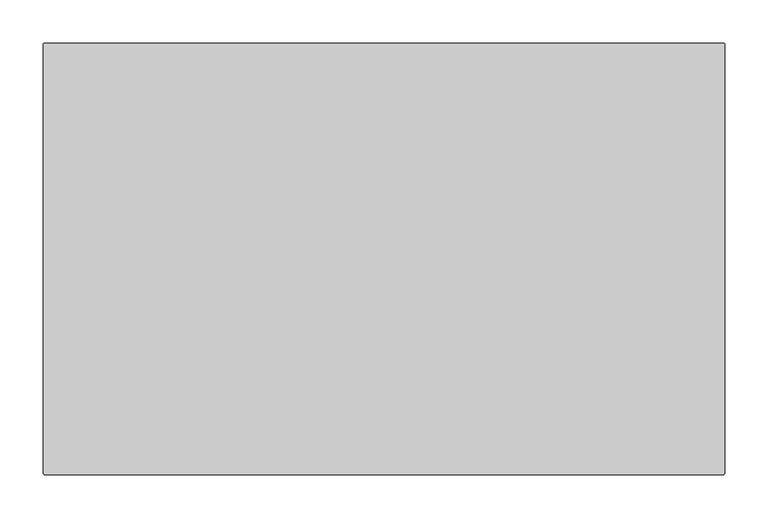
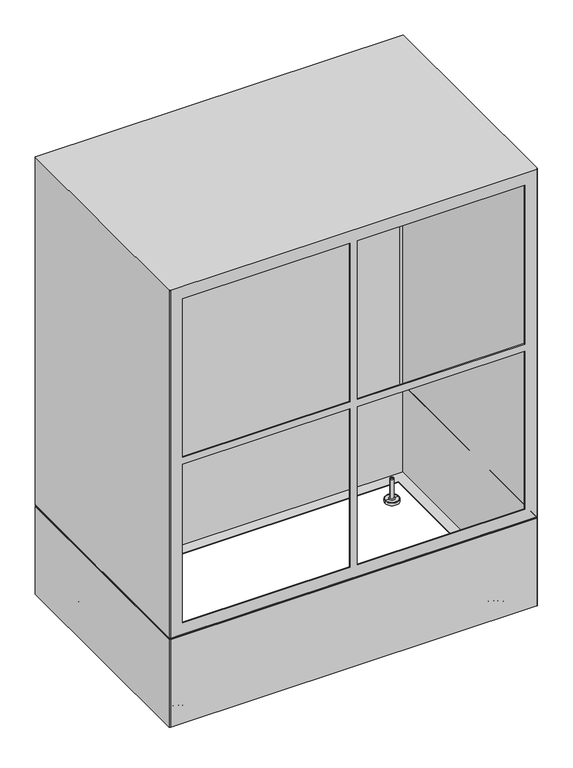
"""IFC4 building model written with IfcOpenShell, lengths in millimetres: proxy geometry."""

from ifc_helpers import new_model, si_unit, point, frame, origin, place, context, project, spatial, polyline, circle_curve, ellipse_curve, trimmed, source, transform, mapped, element, save
from ifc_brep_helpers import plane_surface, cylinder_surface, revolved_surface, advanced_brep


def parking_30493d7f(model_context):
    return source(origin(), model_context, "Body", "AdvancedBrep", [
        advanced_brep(
        [(368.9161053, 218.0, 976.5), (-369.0838947, 218.0, 976.5), (-369.0838947, 218.0, 238.5), (368.9161053, 218.0, 238.5), (368.9161053, 248.0, 976.5), (-369.0838947, 248.0, 976.5), (-369.0838947, 248.0, 238.5), (368.9161053, 248.0, 238.5), (362.9161053, 231.0, 970.5), (362.9161053, 231.0, 244.2), (-363.0838947, 231.0, 244.2), (-363.0838947, 231.0, 970.5), (-363.0838947, 250.0, 970.5), (362.9161053, 250.0, 970.5), (-363.0838947, 250.0, 244.2), (362.9161053, 250.0, 244.2), (-395.0838947, 248.0, 1002.5), (-395.0838947, -248.0, 1002.5), (-393.0838947, -250.0, 1002.5), (392.9161053, -250.0, 1002.5), (394.9161053, -248.0, 1002.5), (394.9161053, 248.0, 1002.5), (392.9161053, 250.0, 1002.5), (-393.0838947, 250.0, 1002.5), (-395.0838947, 248.0, 12.5), (-393.0838947, 250.0, 12.5), (392.9161053, 250.0, 12.5), (394.9161053, 248.0, 12.5), (394.9161053, -248.0, 12.5), (392.9161053, -250.0, 12.5), (-393.0838947, -250.0, 12.5), (-395.0838947, -248.0, 12.5), (-370.0838947, -225.0, 12.5), (369.9161053, -225.0, 12.5), (369.9161053, 224.5, 12.5), (-370.0838947, 224.5, 12.5), (-395.0838947, 248.0, 214.5), (-395.0838947, -248.0, 214.5), (-395.0838947, -248.0, 210.5), (-395.0838947, 248.0, 210.5), (-393.0838947, -250.0, 214.5), (-393.0838947, -250.0, 210.5), (392.9161053, -250.0, 214.5), (-367.0838947, -250.0, 615.0), (-367.0838947, -250.0, 974.5), (-8.0838947, -250.0, 974.5), (-8.0838947, -250.0, 615.0), (-8.0838947, -250.0, 240.5), (-367.0838947, -250.0, 240.5), (-367.0838947, -250.0, 599.0), (-8.0838947, -250.0, 599.0), (7.9161053, -250.0, 599.0), (366.9161053, -250.0, 599.0), (366.9161053, -250.0, 240.5), (7.9161053, -250.0, 240.5), (366.9161053, -250.0, 615.0), (7.9161053, -250.0, 615.0), (7.9161053, -250.0, 974.5), (366.9161053, -250.0, 974.5), (392.9161053, -250.0, 210.5), (394.9161053, -248.0, 214.5), (394.9161053, -248.0, 210.5), (394.9161053, 248.0, 214.5), (394.9161053, 248.0, 210.5), (392.9161053, 250.0, 214.5), (392.9161053, 250.0, 210.5), (-393.0838947, 250.0, 214.5), (-393.0838947, 250.0, 210.5), (392.9161053, 248.0, 14.0), (392.9161053, -248.0, 14.0), (392.9161053, -248.0, 1000.5), (392.9161053, 248.0, 1000.5), (-393.0838947, -248.0, 14.0), (-393.0838947, -248.0, 1000.5), (-367.0838947, -248.0, 974.5), (-367.0838947, -248.0, 615.0), (-8.0838947, -248.0, 615.0), (-8.0838947, -248.0, 974.5), (-367.0838947, -248.0, 240.5), (-8.0838947, -248.0, 240.5), (-8.0838947, -248.0, 599.0), (-367.0838947, -248.0, 599.0), (366.9161053, -248.0, 599.0), (7.9161053, -248.0, 599.0), (7.9161053, -248.0, 240.5), (366.9161053, -248.0, 240.5), (7.9161053, -248.0, 615.0), (366.9161053, -248.0, 615.0), (366.9161053, -248.0, 974.5), (7.9161053, -248.0, 974.5), (-393.0838947, 248.0, 14.0), (-393.0838947, 248.0, 1000.5), (393.8014353, -248.0, 212.7854124), (392.9161053, -248.8853299, 212.7854124), (393.8014353, 248.0, 212.7854124), (392.9161053, 248.8853299, 212.7854124), (-393.0838947, 248.8853299, 212.7854124), (-393.9692246, 248.0, 212.7854124), (-393.9692246, -248.0, 212.7854124), (-393.0838947, -248.8853299, 212.7854124), (-370.0838947, -225.0, 14.0), (-370.0838947, 224.5, 14.0), (369.9161053, 224.5, 14.0), (369.9161053, -225.0, 14.0)],
        [
            (0, 1),
            (1, 2),
            (2, 3),
            (3, 0),
            (0, 4),
            (4, 5),
            (5, 1),
            (5, 6),
            (6, 2),
            (6, 7),
            (7, 3),
            (7, 4),
            (8, 9),
            (9, 10),
            (10, 11),
            (11, 8),
            (11, 12),
            (12, 13),
            (13, 8),
            (10, 14),
            (14, 12),
            (9, 15),
            (15, 14),
            (13, 15),
            (16, 17),
            (17, 18, circle_curve(frame((-393.0838947, -248.0, 1002.5), z_axis=(0.0, 0.0, 1.0), x_axis=(1.0, 0.0, 0.0)), 2.0)),
            (18, 19),
            (19, 20, circle_curve(frame((392.9161053, -248.0, 1002.5), z_axis=(0.0, 0.0, 1.0), x_axis=(1.0, 0.0, 0.0)), 2.0)),
            (20, 21),
            (21, 22, circle_curve(frame((392.9161053, 248.0, 1002.5), z_axis=(0.0, 0.0, 1.0), x_axis=(1.0, 0.0, 0.0)), 2.0)),
            (22, 23),
            (23, 16, circle_curve(frame((-393.0838947, 248.0, 1002.5), z_axis=(0.0, 0.0, 1.0), x_axis=(1.0, 0.0, 0.0)), 2.0)),
            (24, 25, circle_curve(frame((-393.0838947, 248.0, 12.5), z_axis=(0.0, 0.0, -1.0), x_axis=(1.0, 0.0, 0.0)), 2.0)),
            (25, 26),
            (26, 27, circle_curve(frame((392.9161053, 248.0, 12.5), z_axis=(0.0, 0.0, -1.0), x_axis=(1.0, 0.0, 0.0)), 2.0)),
            (27, 28),
            (28, 29, circle_curve(frame((392.9161053, -248.0, 12.5), z_axis=(0.0, 0.0, -1.0), x_axis=(1.0, 0.0, 0.0)), 2.0)),
            (29, 30),
            (30, 31, circle_curve(frame((-393.0838947, -248.0, 12.5), z_axis=(0.0, 0.0, -1.0), x_axis=(1.0, 0.0, 0.0)), 2.0)),
            (31, 24),
            (32, 33),
            (33, 34),
            (34, 35),
            (35, 32),
            (16, 36),
            (36, 37),
            (37, 17),
            (31, 38),
            (38, 39),
            (39, 24),
            (37, 40, circle_curve(frame((-393.0838947, -248.0, 214.5), z_axis=(0.0, 0.0, 1.0), x_axis=(1.0, 0.0, 0.0)), 2.0)),
            (40, 18),
            (30, 41),
            (41, 38, circle_curve(frame((-393.0838947, -248.0, 210.5), z_axis=(0.0, 0.0, -1.0), x_axis=(1.0, 0.0, 0.0)), 2.0)),
            (40, 42),
            (42, 19),
            (43, 44),
            (44, 45),
            (45, 46),
            (46, 43),
            (47, 48),
            (48, 49),
            (49, 50),
            (50, 47),
            (51, 52),
            (52, 53),
            (53, 54),
            (54, 51),
            (55, 56),
            (56, 57),
            (57, 58),
            (58, 55),
            (29, 59),
            (59, 41),
            (42, 60, circle_curve(frame((392.9161053, -248.0, 214.5), z_axis=(0.0, 0.0, 1.0), x_axis=(1.0, 0.0, 0.0)), 2.0)),
            (60, 20),
            (28, 61),
            (61, 59, circle_curve(frame((392.9161053, -248.0, 210.5), z_axis=(0.0, 0.0, -1.0), x_axis=(1.0, 0.0, 0.0)), 2.0)),
            (60, 62),
            (62, 21),
            (27, 63),
            (63, 61),
            (62, 64, circle_curve(frame((392.9161053, 248.0, 214.5), z_axis=(0.0, 0.0, 1.0), x_axis=(1.0, 0.0, 0.0)), 2.0)),
            (64, 22),
            (26, 65),
            (65, 63, circle_curve(frame((392.9161053, 248.0, 210.5), z_axis=(0.0, 0.0, -1.0), x_axis=(1.0, 0.0, 0.0)), 2.0)),
            (64, 66),
            (66, 23),
            (25, 67),
            (67, 65),
            (66, 36, circle_curve(frame((-393.0838947, 248.0, 214.5), z_axis=(0.0, 0.0, 1.0), x_axis=(1.0, 0.0, 0.0)), 2.0)),
            (39, 67, circle_curve(frame((-393.0838947, 248.0, 210.5), z_axis=(0.0, 0.0, -1.0), x_axis=(1.0, 0.0, 0.0)), 2.0)),
            (68, 69),
            (69, 70),
            (70, 71),
            (71, 68),
            (69, 72),
            (72, 73),
            (73, 70),
            (74, 75),
            (75, 76),
            (76, 77),
            (77, 74),
            (78, 79),
            (79, 80),
            (80, 81),
            (81, 78),
            (82, 83),
            (83, 84),
            (84, 85),
            (85, 82),
            (86, 87),
            (87, 88),
            (88, 89),
            (89, 86),
            (72, 90),
            (90, 91),
            (91, 73),
            (90, 68),
            (71, 91),
            (74, 44),
            (43, 75),
            (46, 76),
            (45, 77),
            (78, 48),
            (47, 79),
            (50, 80),
            (49, 81),
            (82, 52),
            (51, 83),
            (54, 84),
            (53, 85),
            (86, 56),
            (55, 87),
            (58, 88),
            (57, 89),
            (92, 60, circle_curve(frame((393.0400793, -248.0, 214.5), z_axis=(0.0, -1.0, 0.0), x_axis=(1.0, 0.0, 0.0)), 1.876026)),
            (42, 93, circle_curve(frame((392.9161053, -248.123974, 214.5), z_axis=(1.0, 0.0, 0.0), x_axis=(0.0, -1.0, 0.0)), 1.876026)),
            (93, 92, circle_curve(frame((392.9161053, -248.0, 212.7854124), z_axis=(0.0, 0.0, 1.0), x_axis=(0.0, -1.0, 0.0)), 0.8853299)),
            (93, 59, circle_curve(frame((392.9161053, -247.0997701, 210.5), z_axis=(1.0, 0.0, 0.0), x_axis=(0.0, -1.0, 0.0)), 2.9002299)),
            (61, 92, circle_curve(frame((392.0158754, -248.0, 210.5), z_axis=(0.0, -1.0, 0.0), x_axis=(1.0, 0.0, 0.0)), 2.9002299)),
            (92, 94),
            (94, 62, circle_curve(frame((393.0400793, 248.0, 214.5), z_axis=(0.0, -1.0, 0.0), x_axis=(1.0, 0.0, 0.0)), 1.876026)),
            (63, 94, circle_curve(frame((392.0158754, 248.0, 210.5), z_axis=(0.0, -1.0, 0.0), x_axis=(1.0, 0.0, 0.0)), 2.9002299)),
            (94, 95, circle_curve(frame((392.9161053, 248.0, 212.7854124), z_axis=(0.0, 0.0, 1.0), x_axis=(1.0, 0.0, 0.0)), 0.8853299)),
            (95, 64, circle_curve(frame((392.9161053, 248.123974, 214.5), z_axis=(1.0, 0.0, 0.0), x_axis=(0.0, 1.0, 0.0)), 1.876026)),
            (65, 95, circle_curve(frame((392.9161053, 247.0997701, 210.5), z_axis=(1.0, 0.0, 0.0), x_axis=(0.0, 1.0, 0.0)), 2.9002299)),
            (95, 96),
            (96, 66, circle_curve(frame((-393.0838947, 248.123974, 214.5), z_axis=(1.0, 0.0, 0.0), x_axis=(0.0, 1.0, 0.0)), 1.876026)),
            (67, 96, circle_curve(frame((-393.0838947, 247.0997701, 210.5), z_axis=(1.0, 0.0, 0.0), x_axis=(0.0, 1.0, 0.0)), 2.9002299)),
            (96, 97, circle_curve(frame((-393.0838947, 248.0, 212.7854124), z_axis=(0.0, 0.0, 1.0), x_axis=(0.0, 1.0, 0.0)), 0.8853299)),
            (97, 36, circle_curve(frame((-393.2078686, 248.0, 214.5), z_axis=(0.0, 1.0, 0.0), x_axis=(-1.0, 0.0, 0.0)), 1.876026)),
            (39, 97, circle_curve(frame((-392.1836648, 248.0, 210.5), z_axis=(0.0, 1.0, 0.0), x_axis=(-1.0, 0.0, 0.0)), 2.9002299)),
            (97, 98),
            (98, 37, circle_curve(frame((-393.2078686, -248.0, 214.5), z_axis=(0.0, 1.0, 0.0), x_axis=(-1.0, 0.0, 0.0)), 1.876026)),
            (38, 98, circle_curve(frame((-392.1836648, -248.0, 210.5), z_axis=(0.0, 1.0, 0.0), x_axis=(-1.0, 0.0, 0.0)), 2.9002299)),
            (98, 99, circle_curve(frame((-393.0838947, -248.0, 212.7854124), z_axis=(0.0, 0.0, 1.0), x_axis=(-1.0, 0.0, 0.0)), 0.8853299)),
            (99, 40, circle_curve(frame((-393.0838947, -248.123974, 214.5), z_axis=(-1.0, 0.0, 0.0), x_axis=(0.0, -1.0, 0.0)), 1.876026)),
            (41, 99, circle_curve(frame((-393.0838947, -247.0997701, 210.5), z_axis=(-1.0, 0.0, 0.0), x_axis=(0.0, -1.0, 0.0)), 2.9002299)),
            (99, 93),
            (100, 101),
            (101, 102),
            (102, 103),
            (103, 100),
            (100, 32),
            (35, 101),
            (34, 102),
            (33, 103),
        ],
        [
            plane_surface(frame((366.9161053, 218.0, 976.5), z_axis=(0.0, -1.0, 0.0), x_axis=(-1.0, 0.0, 0.0))),
            plane_surface(frame((368.9161053, 218.0, 976.5), z_axis=(0.0, 0.0, 1.0), x_axis=(0.0, 1.0, 0.0))),
            plane_surface(frame((-369.0838947, 218.0, 976.5), z_axis=(-1.0, 0.0, 0.0), x_axis=(0.0, 1.0, 0.0))),
            plane_surface(frame((-369.0838947, 218.0, 238.5), z_axis=(0.0, 0.0, -1.0), x_axis=(0.0, 1.0, 0.0))),
            plane_surface(frame((368.9161053, 218.0, 238.5), z_axis=(1.0, 0.0, 0.0), x_axis=(0.0, 1.0, 0.0))),
            plane_surface(frame((366.9161053, 231.0, 970.5), z_axis=(0.0, 1.0, 0.0), x_axis=(-1.0, 0.0, 0.0))),
            plane_surface(frame((362.9161053, 231.0, 970.5), z_axis=(0.0, 0.0, -1.0), x_axis=(0.0, 1.0, 0.0))),
            plane_surface(frame((-363.0838947, 231.0, 970.5), z_axis=(1.0, 0.0, 0.0), x_axis=(0.0, 1.0, 0.0))),
            plane_surface(frame((-363.0838947, 231.0, 244.2), z_axis=(0.0, 0.0, 1.0), x_axis=(0.0, 1.0, 0.0))),
            plane_surface(frame((362.9161053, 231.0, 244.2), z_axis=(-1.0, 0.0, 0.0), x_axis=(0.0, 1.0, 0.0))),
            plane_surface(frame((-395.0838947, -248.0, 1002.5), z_axis=(0.0, 0.0, 1.0), x_axis=(0.0, -1.0, 0.0))),
            plane_surface(frame((-395.0838947, -248.0, 12.5), z_axis=(0.0, 0.0, -1.0), x_axis=(0.0, 1.0, 0.0))),
            plane_surface(frame((-395.0838947, 248.0, 1002.5), z_axis=(-1.0, 0.0, 0.0), x_axis=(0.0, 0.0, -1.0))),
            cylinder_surface(frame((-393.0838947, -248.0, 12.5), z_axis=(0.0, 0.0, 1.0), x_axis=(1.0, 0.0, 0.0)), 2.0),
            plane_surface(frame((-393.0838947, -250.0, 1002.5), z_axis=(0.0, -1.0, 0.0), x_axis=(0.0, 0.0, -1.0))),
            cylinder_surface(frame((392.9161053, -248.0, 12.5), z_axis=(0.0, 0.0, 1.0), x_axis=(1.0, 0.0, 0.0)), 2.0),
            plane_surface(frame((394.9161053, -248.0, 1002.5), z_axis=(1.0, 0.0, 0.0), x_axis=(0.0, 0.0, -1.0))),
            cylinder_surface(frame((392.9161053, 248.0, 12.5), z_axis=(0.0, 0.0, 1.0), x_axis=(1.0, 0.0, 0.0)), 2.0),
            plane_surface(frame((392.9161053, 250.0, 1002.5), z_axis=(0.0, 1.0, 0.0), x_axis=(0.0, 0.0, -1.0))),
            cylinder_surface(frame((-393.0838947, 248.0, 12.5), z_axis=(0.0, 0.0, 1.0), x_axis=(1.0, 0.0, 0.0)), 2.0),
            plane_surface(frame((392.9161053, 248.0, 1002.5), z_axis=(-1.0, 0.0, 0.0), x_axis=(0.0, 0.0, -1.0))),
            plane_surface(frame((392.9161053, -248.0, 1002.5), z_axis=(0.0, 1.0, 0.0), x_axis=(0.0, 0.0, -1.0))),
            plane_surface(frame((-393.0838947, -248.0, 1002.5), z_axis=(1.0, 0.0, 0.0), x_axis=(0.0, 0.0, -1.0))),
            plane_surface(frame((-393.0838947, 248.0, 1002.5), z_axis=(0.0, -1.0, 0.0), x_axis=(0.0, 0.0, -1.0))),
            plane_surface(frame((-367.0838947, -290.9472629, 974.5), z_axis=(1.0, 0.0, 0.0), x_axis=(0.0, 1.0, 0.0))),
            plane_surface(frame((-367.0838947, -290.9472629, 615.0), z_axis=(0.0, 0.0, 1.0), x_axis=(0.0, 1.0, 0.0))),
            plane_surface(frame((-8.0838947, -290.9472629, 615.0), z_axis=(-1.0, 0.0, 0.0), x_axis=(0.0, 1.0, 0.0))),
            plane_surface(frame((-8.0838947, -290.9472629, 974.5), z_axis=(0.0, 0.0, -1.0), x_axis=(0.0, 1.0, 0.0))),
            plane_surface(frame((-367.0838947, -290.9472629, 240.5), z_axis=(0.0, 0.0, 1.0), x_axis=(0.0, 1.0, 0.0))),
            plane_surface(frame((-8.0838947, -290.9472629, 240.5), z_axis=(-1.0, 0.0, 0.0), x_axis=(0.0, 1.0, 0.0))),
            plane_surface(frame((-8.0838947, -290.9472629, 599.0), z_axis=(0.0, 0.0, -1.0), x_axis=(0.0, 1.0, 0.0))),
            plane_surface(frame((-367.0838947, -290.9472629, 599.0), z_axis=(1.0, 0.0, 0.0), x_axis=(0.0, 1.0, 0.0))),
            plane_surface(frame((366.9161053, -290.9472629, 599.0), z_axis=(0.0, 0.0, -1.0), x_axis=(0.0, 1.0, 0.0))),
            plane_surface(frame((7.9161053, -290.9472629, 599.0), z_axis=(1.0, 0.0, 0.0), x_axis=(0.0, 1.0, 0.0))),
            plane_surface(frame((7.9161053, -290.9472629, 240.5), z_axis=(0.0, 0.0, 1.0), x_axis=(0.0, 1.0, 0.0))),
            plane_surface(frame((366.9161053, -290.9472629, 240.5), z_axis=(-1.0, 0.0, 0.0), x_axis=(0.0, 1.0, 0.0))),
            plane_surface(frame((7.9161053, -290.9472629, 615.0), z_axis=(0.0, 0.0, 1.0), x_axis=(0.0, 1.0, 0.0))),
            plane_surface(frame((366.9161053, -290.9472629, 615.0), z_axis=(-1.0, 0.0, 0.0), x_axis=(0.0, 1.0, 0.0))),
            plane_surface(frame((366.9161053, -290.9472629, 974.5), z_axis=(0.0, 0.0, -1.0), x_axis=(0.0, 1.0, 0.0))),
            plane_surface(frame((7.9161053, -290.9472629, 974.5), z_axis=(1.0, 0.0, 0.0), x_axis=(0.0, 1.0, 0.0))),
            revolved_surface(trimmed(ellipse_curve(frame((392.9161053, -248.123974, 214.5), z_axis=(-1.0, 0.0, 0.0), x_axis=(0.0, -1.0, 0.0)), 1.876026, 1.876026), [point((392.9161053, -248.8853299, 212.7854124))], [point((392.9161053, -250.0, 214.5))], True, "CARTESIAN"), (392.9161053, -248.0, 0.0), (0.0, 0.0, 1.0)),
            revolved_surface(trimmed(ellipse_curve(frame((392.9161053, -247.0997701, 210.5), z_axis=(-1.0, 0.0, 0.0), x_axis=(0.0, -1.0, 0.0)), 2.9002299, 2.9002299), [point((392.9161053, -250.0, 210.5))], [point((392.9161053, -248.8853299, 212.7854124))], True, "CARTESIAN"), (392.9161053, -248.0, 0.0), (0.0, 0.0, 1.0)),
            cylinder_surface(frame((393.0400793, -248.0, 214.5), z_axis=(0.0, 1.0, 0.0), x_axis=(1.0, 0.0, 0.0)), 1.876026),
            cylinder_surface(frame((392.0158754, -248.0, 210.5), z_axis=(0.0, 1.0, 0.0), x_axis=(1.0, 0.0, 0.0)), 2.9002299),
            revolved_surface(trimmed(ellipse_curve(frame((393.0400793, 248.0, 214.5), z_axis=(0.0, -1.0, 0.0), x_axis=(1.0, 0.0, 0.0)), 1.876026, 1.876026), [point((393.8014353, 248.0, 212.7854124))], [point((394.9161053, 248.0, 214.5))], True, "CARTESIAN"), (392.9161053, 248.0, 0.0), (0.0, 0.0, 1.0)),
            revolved_surface(trimmed(ellipse_curve(frame((392.0158754, 248.0, 210.5), z_axis=(0.0, -1.0, 0.0), x_axis=(1.0, 0.0, 0.0)), 2.9002299, 2.9002299), [point((394.9161053, 248.0, 210.5))], [point((393.8014353, 248.0, 212.7854124))], True, "CARTESIAN"), (392.9161053, 248.0, 0.0), (0.0, 0.0, 1.0)),
            cylinder_surface(frame((392.9161053, 248.123974, 214.5), z_axis=(-1.0, 0.0, 0.0), x_axis=(0.0, 1.0, 0.0)), 1.876026),
            cylinder_surface(frame((392.9161053, 247.0997701, 210.5), z_axis=(-1.0, 0.0, 0.0), x_axis=(0.0, 1.0, 0.0)), 2.9002299),
            revolved_surface(trimmed(ellipse_curve(frame((-393.0838947, 248.123974, 214.5), z_axis=(1.0, 0.0, 0.0), x_axis=(0.0, 1.0, 0.0)), 1.876026, 1.876026), [point((-393.0838947, 248.8853299, 212.7854124))], [point((-393.0838947, 250.0, 214.5))], True, "CARTESIAN"), (-393.0838947, 248.0, 0.0), (0.0, 0.0, 1.0)),
            revolved_surface(trimmed(ellipse_curve(frame((-393.0838947, 247.0997701, 210.5), z_axis=(1.0, 0.0, 0.0), x_axis=(0.0, 1.0, 0.0)), 2.9002299, 2.9002299), [point((-393.0838947, 250.0, 210.5))], [point((-393.0838947, 248.8853299, 212.7854124))], True, "CARTESIAN"), (-393.0838947, 248.0, 0.0), (0.0, 0.0, 1.0)),
            cylinder_surface(frame((-393.2078686, 248.0, 214.5), z_axis=(0.0, -1.0, 0.0), x_axis=(-1.0, 0.0, 0.0)), 1.876026),
            cylinder_surface(frame((-392.1836648, 248.0, 210.5), z_axis=(0.0, -1.0, 0.0), x_axis=(-1.0, 0.0, 0.0)), 2.9002299),
            revolved_surface(trimmed(ellipse_curve(frame((-393.2078686, -248.0, 214.5), z_axis=(0.0, 1.0, 0.0), x_axis=(-1.0, 0.0, 0.0)), 1.876026, 1.876026), [point((-393.9692246, -248.0, 212.7854124))], [point((-395.0838947, -248.0, 214.5))], True, "CARTESIAN"), (-393.0838947, -248.0, 0.0), (0.0, 0.0, 1.0)),
            revolved_surface(trimmed(ellipse_curve(frame((-392.1836648, -248.0, 210.5), z_axis=(0.0, 1.0, 0.0), x_axis=(-1.0, 0.0, 0.0)), 2.9002299, 2.9002299), [point((-395.0838947, -248.0, 210.5))], [point((-393.9692246, -248.0, 212.7854124))], True, "CARTESIAN"), (-393.0838947, -248.0, 0.0), (0.0, 0.0, 1.0)),
            cylinder_surface(frame((-393.0838947, -248.123974, 214.5), z_axis=(1.0, 0.0, 0.0), x_axis=(0.0, -1.0, 0.0)), 1.876026),
            cylinder_surface(frame((-393.0838947, -247.0997701, 210.5), z_axis=(1.0, 0.0, 0.0), x_axis=(0.0, -1.0, 0.0)), 2.9002299),
            plane_surface(frame((-370.0838947, -248.0, 14.0), z_axis=(0.0, 0.0, 1.0), x_axis=(0.0, 1.0, 0.0))),
            plane_surface(frame((-370.0838947, -225.0, 14.0), z_axis=(1.0, 0.0, 0.0), x_axis=(0.0, 0.0, -1.0))),
            plane_surface(frame((-370.0838947, 224.5, 14.0), z_axis=(0.0, -1.0, 0.0), x_axis=(0.0, 0.0, -1.0))),
            plane_surface(frame((369.9161053, 224.5, 14.0), z_axis=(-1.0, 0.0, 0.0), x_axis=(0.0, 0.0, -1.0))),
            plane_surface(frame((369.9161053, -225.0, 14.0), z_axis=(0.0, 1.0, 0.0), x_axis=(0.0, 0.0, -1.0))),
            plane_surface(frame((-393.0838947, 248.0, 1000.5), z_axis=(0.0, 0.0, -1.0), x_axis=(0.0, 1.0, 0.0))),
        ],
        [
            (0, [[1, 2, 3, 4]]),
            (1, [[-1, 5, 6, 7]]),
            (2, [[-2, -7, 8, 9]]),
            (3, [[-3, -9, 10, 11]]),
            (4, [[-4, -11, 12, -5]]),
            (5, [[13, 14, 15, 16]]),
            (6, [[-16, 17, 18, 19]]),
            (7, [[-15, 20, 21, -17]]),
            (8, [[-14, 22, 23, -20]]),
            (9, [[-13, -19, 24, -22]]),
            (10, [[25, 26, 27, 28, 29, 30, 31, 32]]),
            (11, [[33, 34, 35, 36, 37, 38, 39, 40], [41, 42, 43, 44]]),
            (12, [[-25, 45, 46, 47]]),
            (12, [[-40, 48, 49, 50]]),
            (13, [[-26, -47, 51, 52]]),
            (13, [[-39, 53, 54, -48]]),
            (14, [[-27, -52, 55, 56], [57, 58, 59, 60], [61, 62, 63, 64], [65, 66, 67, 68], [69, 70, 71, 72]]),
            (14, [[-38, 73, 74, -53]]),
            (15, [[-28, -56, 75, 76]]),
            (15, [[-37, 77, 78, -73]]),
            (16, [[-29, -76, 79, 80]]),
            (16, [[-36, 81, 82, -77]]),
            (17, [[-30, -80, 83, 84]]),
            (17, [[-35, 85, 86, -81]]),
            (18, [[-31, -84, 87, 88], [-18, -21, -23, -24]]),
            (18, [[-34, 89, 90, -85]]),
            (19, [[-32, -88, 91, -45]]),
            (19, [[-33, -50, 92, -89]]),
            (20, [[93, 94, 95, 96]]),
            (21, [[97, 98, 99, -94], [100, 101, 102, 103], [104, 105, 106, 107], [108, 109, 110, 111], [112, 113, 114, 115]]),
            (22, [[116, 117, 118, -98]]),
            (23, [[119, -96, 120, -117], [-6, -12, -10, -8]]),
            (24, [[121, -57, 122, -100]]),
            (25, [[-122, -60, 123, -101]]),
            (26, [[-123, -59, 124, -102]]),
            (27, [[-121, -103, -124, -58]]),
            (28, [[125, -61, 126, -104]]),
            (29, [[-126, -64, 127, -105]]),
            (30, [[-127, -63, 128, -106]]),
            (31, [[-125, -107, -128, -62]]),
            (32, [[129, -65, 130, -108]]),
            (33, [[-130, -68, 131, -109]]),
            (34, [[-131, -67, 132, -110]]),
            (35, [[-129, -111, -132, -66]]),
            (36, [[133, -69, 134, -112]]),
            (37, [[-134, -72, 135, -113]]),
            (38, [[-135, -71, 136, -114]]),
            (39, [[-133, -115, -136, -70]]),
            (40, [[137, -75, 138, 139]]),
            (41, [[-139, 140, -78, 141]]),
            (42, [[-137, 142, 143, -79]]),
            (43, [[-141, -82, 144, -142]]),
            (44, [[-143, 145, 146, -83]]),
            (45, [[-144, -86, 147, -145]]),
            (46, [[-146, 148, 149, -87]]),
            (47, [[-147, -90, 150, -148]]),
            (48, [[-149, 151, 152, -91]]),
            (49, [[-150, -92, 153, -151]]),
            (50, [[-152, 154, 155, -46]]),
            (51, [[-153, -49, 156, -154]]),
            (52, [[-155, 157, 158, -51]]),
            (53, [[-156, -54, 159, -157]]),
            (54, [[-138, -55, -158, 160]]),
            (55, [[-140, -160, -159, -74]]),
            (56, [[-93, -119, -116, -97], [161, 162, 163, 164]]),
            (57, [[-161, 165, -44, 166]]),
            (58, [[-162, -166, -43, 167]]),
            (59, [[-163, -167, -42, 168]]),
            (60, [[-164, -168, -41, -165]]),
            (61, [[-95, -99, -118, -120]]),
        ],
    ),
        advanced_brep(
        [(334.0837988, 192.9999041, 51.9950536), (342.0837988, 192.9999041, 51.9950536), (341.0788524, 192.9999041, 53.0), (335.0887452, 192.9999041, 53.0), (334.0837988, 192.9999041, 9.0), (342.0837988, 192.9999041, 9.0), (332.0837988, 192.9999041, 7.0), (344.0837988, 192.9999041, 7.0), (324.185151, 192.9999041, 7.0), (351.9824466, 192.9999041, 7.0), (323.5839978, 192.9999041, 6.3988469), (352.5835997, 192.9999041, 6.3988469), (323.5839978, 192.9999041, 0.0), (352.5835997, 192.9999041, 0.0), (338.0837988, 192.9999041, 0.0), (338.0837988, 192.9999041, 53.0)],
        [
            (0, 1, circle_curve(frame((338.0837988, 192.9999041, 51.9950536), z_axis=(0.0, 0.0, 1.0), x_axis=(1.0, 0.0, 0.0)), 4.0)),
            (1, 2),
            (2, 3, circle_curve(frame((338.0837988, 192.9999041, 53.0), z_axis=(0.0, 0.0, -1.0), x_axis=(1.0, 0.0, 0.0)), 2.9950536)),
            (3, 0),
            (1, 0, circle_curve(frame((338.0837988, 192.9999041, 51.9950536), z_axis=(0.0, 0.0, 1.0), x_axis=(1.0, 0.0, 0.0)), 4.0)),
            (3, 2, circle_curve(frame((338.0837988, 192.9999041, 53.0), z_axis=(0.0, 0.0, -1.0), x_axis=(1.0, 0.0, 0.0)), 2.9950536)),
            (4, 5, circle_curve(frame((338.0837988, 192.9999041, 9.0), z_axis=(0.0, 0.0, 1.0), x_axis=(1.0, 0.0, 0.0)), 4.0)),
            (5, 1),
            (0, 4),
            (5, 4, circle_curve(frame((338.0837988, 192.9999041, 9.0), z_axis=(0.0, 0.0, 1.0), x_axis=(1.0, 0.0, 0.0)), 4.0)),
            (6, 7, circle_curve(frame((338.0837988, 192.9999041, 7.0), z_axis=(0.0, 0.0, 1.0), x_axis=(1.0, 0.0, 0.0)), 6.0)),
            (7, 5, circle_curve(frame((344.0837988, 192.9999041, 9.0), z_axis=(0.0, 1.0, 0.0), x_axis=(-1.0, 0.0, 0.0)), 2.0)),
            (4, 6, circle_curve(frame((332.0837988, 192.9999041, 9.0), z_axis=(0.0, 1.0, 0.0), x_axis=(1.0, 0.0, 0.0)), 2.0)),
            (7, 6, circle_curve(frame((338.0837988, 192.9999041, 7.0), z_axis=(0.0, 0.0, 1.0), x_axis=(1.0, 0.0, 0.0)), 6.0)),
            (8, 9, circle_curve(frame((338.0837988, 192.9999041, 7.0), z_axis=(0.0, 0.0, 1.0), x_axis=(1.0, 0.0, 0.0)), 13.8986478)),
            (9, 7),
            (6, 8),
            (9, 8, circle_curve(frame((338.0837988, 192.9999041, 7.0), z_axis=(0.0, 0.0, 1.0), x_axis=(1.0, 0.0, 0.0)), 13.8986478)),
            (10, 11, circle_curve(frame((338.0837988, 192.9999041, 6.3988469), z_axis=(0.0, 0.0, 1.0), x_axis=(1.0, 0.0, 0.0)), 14.4998009)),
            (11, 9, circle_curve(frame((351.9824466, 192.9999041, 6.3988469), z_axis=(0.0, -1.0, 0.0), x_axis=(-1.0, 0.0, 0.0)), 0.6011531)),
            (8, 10, circle_curve(frame((324.185151, 192.9999041, 6.3988469), z_axis=(0.0, -1.0, 0.0), x_axis=(1.0, 0.0, 0.0)), 0.6011531)),
            (11, 10, circle_curve(frame((338.0837988, 192.9999041, 6.3988469), z_axis=(0.0, 0.0, 1.0), x_axis=(1.0, 0.0, 0.0)), 14.4998009)),
            (12, 13, circle_curve(frame((338.0837988, 192.9999041, 0.0), z_axis=(0.0, 0.0, 1.0), x_axis=(1.0, 0.0, 0.0)), 14.4998009)),
            (13, 11),
            (10, 12),
            (13, 12, circle_curve(frame((338.0837988, 192.9999041, 0.0), z_axis=(0.0, 0.0, 1.0), x_axis=(1.0, 0.0, 0.0)), 14.4998009)),
            (14, 13),
            (12, 14),
            (2, 15),
            (15, 3),
        ],
        [
            revolved_surface(polyline([(341.0788524, 192.9999041, 53.0), (342.0837988, 192.9999041, 51.9950536)]), (338.0837988, 192.9999041, 53.0), (0.0, 0.0, -1.0)),
            cylinder_surface(frame((338.0837988, 192.9999041, 53.0), z_axis=(0.0, 0.0, -1.0), x_axis=(1.0, 0.0, 0.0)), 4.0),
            revolved_surface(trimmed(ellipse_curve(frame((344.0837988, 192.9999041, 9.0), z_axis=(0.0, -1.0, 0.0), x_axis=(-1.0, 0.0, 0.0)), 2.0, 2.0), [point((342.0837988, 192.9999041, 9.0))], [point((344.0837988, 192.9999041, 7.0))], True, "CARTESIAN"), (338.0837988, 192.9999041, 53.0), (0.0, 0.0, -1.0)),
            plane_surface(frame((338.0837988, 192.9999041, 7.0), z_axis=(0.0, 0.0, 1.0), x_axis=(1.0, 0.0, 0.0))),
            revolved_surface(trimmed(ellipse_curve(frame((351.9824466, 192.9999041, 6.3988469), z_axis=(0.0, 1.0, 0.0), x_axis=(-1.0, 0.0, 0.0)), 0.6011531, 0.6011531), [point((351.9824466, 192.9999041, 7.0))], [point((352.5835997, 192.9999041, 6.3988469))], True, "CARTESIAN"), (338.0837988, 192.9999041, 53.0), (0.0, 0.0, -1.0)),
            cylinder_surface(frame((338.0837988, 192.9999041, 53.0), z_axis=(0.0, 0.0, -1.0), x_axis=(1.0, 0.0, 0.0)), 14.4998009),
            plane_surface(frame((338.0837988, 192.9999041, 0.0), z_axis=(0.0, 0.0, -1.0), x_axis=(1.0, 0.0, 0.0))),
            plane_surface(frame((338.0837988, 192.9999041, 53.0), z_axis=(0.0, 0.0, 1.0), x_axis=(1.0, 0.0, 0.0))),
        ],
        [
            (0, [[1, 2, 3, 4]]),
            (0, [[5, -4, 6, -2]]),
            (1, [[7, 8, -1, 9]]),
            (1, [[10, -9, -5, -8]]),
            (2, [[11, 12, -7, 13]]),
            (2, [[14, -13, -10, -12]]),
            (3, [[15, 16, -11, 17]]),
            (3, [[18, -17, -14, -16]]),
            (4, [[19, 20, -15, 21]]),
            (4, [[22, -21, -18, -20]]),
            (5, [[23, 24, -19, 25]]),
            (5, [[26, -25, -22, -24]]),
            (6, [[27, -23, 28]]),
            (6, [[-28, -26, -27]]),
            (7, [[-3, 29, 30]]),
            (7, [[-6, -30, -29]]),
        ],
    ),
        advanced_brep(
        [(-335.0887452, 192.9999041, 53.0), (-341.0788524, 192.9999041, 53.0), (-342.0837988, 192.9999041, 51.9950536), (-334.0837988, 192.9999041, 51.9950536), (-342.0837988, 192.9999041, 9.0), (-334.0837988, 192.9999041, 9.0), (-344.0837988, 192.9999041, 7.0), (-332.0837988, 192.9999041, 7.0), (-351.9824466, 192.9999041, 7.0), (-324.185151, 192.9999041, 7.0), (-352.5835997, 192.9999041, 6.3988469), (-323.5839978, 192.9999041, 6.3988469), (-352.5835997, 192.9999041, 0.0), (-323.5839978, 192.9999041, 0.0), (-338.0837988, 192.9999041, 0.0), (-338.0837988, 192.9999041, 53.0)],
        [
            (0, 1, circle_curve(frame((-338.0837988, 192.9999041, 53.0), z_axis=(0.0, 0.0, -1.0), x_axis=(-1.0, 0.0, 0.0)), 2.9950536)),
            (1, 2),
            (2, 3, circle_curve(frame((-338.0837988, 192.9999041, 51.9950536), z_axis=(0.0, 0.0, 1.0), x_axis=(-1.0, 0.0, 0.0)), 4.0)),
            (3, 0),
            (1, 0, circle_curve(frame((-338.0837988, 192.9999041, 53.0), z_axis=(0.0, 0.0, -1.0), x_axis=(-1.0, 0.0, 0.0)), 2.9950536)),
            (3, 2, circle_curve(frame((-338.0837988, 192.9999041, 51.9950536), z_axis=(0.0, 0.0, 1.0), x_axis=(-1.0, 0.0, 0.0)), 4.0)),
            (2, 4),
            (4, 5, circle_curve(frame((-338.0837988, 192.9999041, 9.0), z_axis=(0.0, 0.0, 1.0), x_axis=(-1.0, 0.0, 0.0)), 4.0)),
            (5, 3),
            (5, 4, circle_curve(frame((-338.0837988, 192.9999041, 9.0), z_axis=(0.0, 0.0, 1.0), x_axis=(-1.0, 0.0, 0.0)), 4.0)),
            (4, 6, circle_curve(frame((-344.0837988, 192.9999041, 9.0), z_axis=(0.0, 1.0, 0.0), x_axis=(1.0, 0.0, 0.0)), 2.0)),
            (6, 7, circle_curve(frame((-338.0837988, 192.9999041, 7.0), z_axis=(0.0, 0.0, 1.0), x_axis=(-1.0, 0.0, 0.0)), 6.0)),
            (7, 5, circle_curve(frame((-332.0837988, 192.9999041, 9.0), z_axis=(0.0, 1.0, 0.0), x_axis=(-1.0, 0.0, 0.0)), 2.0)),
            (7, 6, circle_curve(frame((-338.0837988, 192.9999041, 7.0), z_axis=(0.0, 0.0, 1.0), x_axis=(-1.0, 0.0, 0.0)), 6.0)),
            (6, 8),
            (8, 9, circle_curve(frame((-338.0837988, 192.9999041, 7.0), z_axis=(0.0, 0.0, 1.0), x_axis=(-1.0, 0.0, 0.0)), 13.8986478)),
            (9, 7),
            (9, 8, circle_curve(frame((-338.0837988, 192.9999041, 7.0), z_axis=(0.0, 0.0, 1.0), x_axis=(-1.0, 0.0, 0.0)), 13.8986478)),
            (8, 10, circle_curve(frame((-351.9824466, 192.9999041, 6.3988469), z_axis=(0.0, -1.0, 0.0), x_axis=(1.0, 0.0, 0.0)), 0.6011531)),
            (10, 11, circle_curve(frame((-338.0837988, 192.9999041, 6.3988469), z_axis=(0.0, 0.0, 1.0), x_axis=(-1.0, 0.0, 0.0)), 14.4998009)),
            (11, 9, circle_curve(frame((-324.185151, 192.9999041, 6.3988469), z_axis=(0.0, -1.0, 0.0), x_axis=(-1.0, 0.0, 0.0)), 0.6011531)),
            (11, 10, circle_curve(frame((-338.0837988, 192.9999041, 6.3988469), z_axis=(0.0, 0.0, 1.0), x_axis=(-1.0, 0.0, 0.0)), 14.4998009)),
            (10, 12),
            (12, 13, circle_curve(frame((-338.0837988, 192.9999041, 0.0), z_axis=(0.0, 0.0, 1.0), x_axis=(-1.0, 0.0, 0.0)), 14.4998009)),
            (13, 11),
            (13, 12, circle_curve(frame((-338.0837988, 192.9999041, 0.0), z_axis=(0.0, 0.0, 1.0), x_axis=(-1.0, 0.0, 0.0)), 14.4998009)),
            (12, 14),
            (14, 13),
            (15, 1),
            (0, 15),
        ],
        [
            revolved_surface(polyline([(-342.0837988, 192.9999041, 51.9950536), (-341.0788524, 192.9999041, 53.0)]), (-338.0837988, 192.9999041, 53.0), (0.0, 0.0, 1.0)),
            cylinder_surface(frame((-338.0837988, 192.9999041, 53.0), z_axis=(0.0, 0.0, 1.0), x_axis=(-1.0, 0.0, 0.0)), 4.0),
            revolved_surface(trimmed(ellipse_curve(frame((-344.0837988, 192.9999041, 9.0), z_axis=(0.0, -1.0, 0.0), x_axis=(1.0, 0.0, 0.0)), 2.0, 2.0), [point((-344.0837988, 192.9999041, 7.0))], [point((-342.0837988, 192.9999041, 9.0))], True, "CARTESIAN"), (-338.0837988, 192.9999041, 53.0), (0.0, 0.0, 1.0)),
            plane_surface(frame((-338.0837988, 192.9999041, 7.0), z_axis=(0.0, 0.0, 1.0), x_axis=(-1.0, 0.0, 0.0))),
            revolved_surface(trimmed(ellipse_curve(frame((-351.9824466, 192.9999041, 6.3988469), z_axis=(0.0, 1.0, 0.0), x_axis=(1.0, 0.0, 0.0)), 0.6011531, 0.6011531), [point((-352.5835997, 192.9999041, 6.3988469))], [point((-351.9824466, 192.9999041, 7.0))], True, "CARTESIAN"), (-338.0837988, 192.9999041, 53.0), (0.0, 0.0, 1.0)),
            cylinder_surface(frame((-338.0837988, 192.9999041, 53.0), z_axis=(0.0, 0.0, 1.0), x_axis=(-1.0, 0.0, 0.0)), 14.4998009),
            plane_surface(frame((-338.0837988, 192.9999041, 0.0), z_axis=(0.0, 0.0, -1.0), x_axis=(-1.0, 0.0, 0.0))),
            plane_surface(frame((-338.0837988, 192.9999041, 53.0), z_axis=(0.0, 0.0, 1.0), x_axis=(-1.0, 0.0, 0.0))),
        ],
        [
            (0, [[1, 2, 3, 4]]),
            (0, [[5, -4, 6, -2]]),
            (1, [[-3, 7, 8, 9]]),
            (1, [[-6, -9, 10, -7]]),
            (2, [[-8, 11, 12, 13]]),
            (2, [[-10, -13, 14, -11]]),
            (3, [[-12, 15, 16, 17]]),
            (3, [[-14, -17, 18, -15]]),
            (4, [[-16, 19, 20, 21]]),
            (4, [[-18, -21, 22, -19]]),
            (5, [[-20, 23, 24, 25]]),
            (5, [[-22, -25, 26, -23]]),
            (6, [[-24, 27, 28]]),
            (6, [[-26, -28, -27]]),
            (7, [[29, -1, 30]]),
            (7, [[-30, -5, -29]]),
        ],
    ),
        advanced_brep(
        [(335.0887452, -192.9999041, 53.0), (341.0788524, -192.9999041, 53.0), (342.0837988, -192.9999041, 51.9950536), (334.0837988, -192.9999041, 51.9950536), (342.0837988, -192.9999041, 9.0), (334.0837988, -192.9999041, 9.0), (344.0837988, -192.9999041, 7.0), (332.0837988, -192.9999041, 7.0), (351.9824466, -192.9999041, 7.0), (324.185151, -192.9999041, 7.0), (352.5835997, -192.9999041, 6.3988469), (323.5839978, -192.9999041, 6.3988469), (352.5835997, -192.9999041, 0.0), (323.5839978, -192.9999041, 0.0), (338.0837988, -192.9999041, 0.0), (338.0837988, -192.9999041, 53.0)],
        [
            (0, 1, circle_curve(frame((338.0837988, -192.9999041, 53.0), z_axis=(0.0, 0.0, -1.0), x_axis=(1.0, 0.0, 0.0)), 2.9950536)),
            (1, 2),
            (2, 3, circle_curve(frame((338.0837988, -192.9999041, 51.9950536), z_axis=(0.0, 0.0, 1.0), x_axis=(1.0, 0.0, 0.0)), 4.0)),
            (3, 0),
            (1, 0, circle_curve(frame((338.0837988, -192.9999041, 53.0), z_axis=(0.0, 0.0, -1.0), x_axis=(1.0, 0.0, 0.0)), 2.9950536)),
            (3, 2, circle_curve(frame((338.0837988, -192.9999041, 51.9950536), z_axis=(0.0, 0.0, 1.0), x_axis=(1.0, 0.0, 0.0)), 4.0)),
            (2, 4),
            (4, 5, circle_curve(frame((338.0837988, -192.9999041, 9.0), z_axis=(0.0, 0.0, 1.0), x_axis=(1.0, 0.0, 0.0)), 4.0)),
            (5, 3),
            (5, 4, circle_curve(frame((338.0837988, -192.9999041, 9.0), z_axis=(0.0, 0.0, 1.0), x_axis=(1.0, 0.0, 0.0)), 4.0)),
            (4, 6, circle_curve(frame((344.0837988, -192.9999041, 9.0), z_axis=(0.0, -1.0, 0.0), x_axis=(-1.0, 0.0, 0.0)), 2.0)),
            (6, 7, circle_curve(frame((338.0837988, -192.9999041, 7.0), z_axis=(0.0, 0.0, 1.0), x_axis=(1.0, 0.0, 0.0)), 6.0)),
            (7, 5, circle_curve(frame((332.0837988, -192.9999041, 9.0), z_axis=(0.0, -1.0, 0.0), x_axis=(1.0, 0.0, 0.0)), 2.0)),
            (7, 6, circle_curve(frame((338.0837988, -192.9999041, 7.0), z_axis=(0.0, 0.0, 1.0), x_axis=(1.0, 0.0, 0.0)), 6.0)),
            (6, 8),
            (8, 9, circle_curve(frame((338.0837988, -192.9999041, 7.0), z_axis=(0.0, 0.0, 1.0), x_axis=(1.0, 0.0, 0.0)), 13.8986478)),
            (9, 7),
            (9, 8, circle_curve(frame((338.0837988, -192.9999041, 7.0), z_axis=(0.0, 0.0, 1.0), x_axis=(1.0, 0.0, 0.0)), 13.8986478)),
            (8, 10, circle_curve(frame((351.9824466, -192.9999041, 6.3988469), z_axis=(0.0, 1.0, 0.0), x_axis=(-1.0, 0.0, 0.0)), 0.6011531)),
            (10, 11, circle_curve(frame((338.0837988, -192.9999041, 6.3988469), z_axis=(0.0, 0.0, 1.0), x_axis=(1.0, 0.0, 0.0)), 14.4998009)),
            (11, 9, circle_curve(frame((324.185151, -192.9999041, 6.3988469), z_axis=(0.0, 1.0, 0.0), x_axis=(1.0, 0.0, 0.0)), 0.6011531)),
            (11, 10, circle_curve(frame((338.0837988, -192.9999041, 6.3988469), z_axis=(0.0, 0.0, 1.0), x_axis=(1.0, 0.0, 0.0)), 14.4998009)),
            (10, 12),
            (12, 13, circle_curve(frame((338.0837988, -192.9999041, 0.0), z_axis=(0.0, 0.0, 1.0), x_axis=(1.0, 0.0, 0.0)), 14.4998009)),
            (13, 11),
            (13, 12, circle_curve(frame((338.0837988, -192.9999041, 0.0), z_axis=(0.0, 0.0, 1.0), x_axis=(1.0, 0.0, 0.0)), 14.4998009)),
            (12, 14),
            (14, 13),
            (15, 1),
            (0, 15),
        ],
        [
            revolved_surface(polyline([(342.0837988, -192.9999041, 51.9950536), (341.0788524, -192.9999041, 53.0)]), (338.0837988, -192.9999041, 53.0), (0.0, 0.0, 1.0)),
            cylinder_surface(frame((338.0837988, -192.9999041, 53.0), z_axis=(0.0, 0.0, 1.0), x_axis=(1.0, 0.0, 0.0)), 4.0),
            revolved_surface(trimmed(ellipse_curve(frame((344.0837988, -192.9999041, 9.0), z_axis=(0.0, 1.0, 0.0), x_axis=(-1.0, 0.0, 0.0)), 2.0, 2.0), [point((344.0837988, -192.9999041, 7.0))], [point((342.0837988, -192.9999041, 9.0))], True, "CARTESIAN"), (338.0837988, -192.9999041, 53.0), (0.0, 0.0, 1.0)),
            plane_surface(frame((338.0837988, -192.9999041, 7.0), z_axis=(0.0, 0.0, 1.0), x_axis=(1.0, 0.0, 0.0))),
            revolved_surface(trimmed(ellipse_curve(frame((351.9824466, -192.9999041, 6.3988469), z_axis=(0.0, -1.0, 0.0), x_axis=(-1.0, 0.0, 0.0)), 0.6011531, 0.6011531), [point((352.5835997, -192.9999041, 6.3988469))], [point((351.9824466, -192.9999041, 7.0))], True, "CARTESIAN"), (338.0837988, -192.9999041, 53.0), (0.0, 0.0, 1.0)),
            cylinder_surface(frame((338.0837988, -192.9999041, 53.0), z_axis=(0.0, 0.0, 1.0), x_axis=(1.0, 0.0, 0.0)), 14.4998009),
            plane_surface(frame((338.0837988, -192.9999041, 0.0), z_axis=(0.0, 0.0, -1.0), x_axis=(1.0, 0.0, 0.0))),
            plane_surface(frame((338.0837988, -192.9999041, 53.0), z_axis=(0.0, 0.0, 1.0), x_axis=(1.0, 0.0, 0.0))),
        ],
        [
            (0, [[1, 2, 3, 4]]),
            (0, [[5, -4, 6, -2]]),
            (1, [[-3, 7, 8, 9]]),
            (1, [[-6, -9, 10, -7]]),
            (2, [[-8, 11, 12, 13]]),
            (2, [[-10, -13, 14, -11]]),
            (3, [[-12, 15, 16, 17]]),
            (3, [[-14, -17, 18, -15]]),
            (4, [[-16, 19, 20, 21]]),
            (4, [[-18, -21, 22, -19]]),
            (5, [[-20, 23, 24, 25]]),
            (5, [[-22, -25, 26, -23]]),
            (6, [[-24, 27, 28]]),
            (6, [[-26, -28, -27]]),
            (7, [[29, -1, 30]]),
            (7, [[-30, -5, -29]]),
        ],
    ),
        advanced_brep(
        [(-334.0837988, -192.9999041, 51.9950536), (-342.0837988, -192.9999041, 51.9950536), (-341.0788524, -192.9999041, 53.0), (-335.0887452, -192.9999041, 53.0), (-334.0837988, -192.9999041, 9.0), (-342.0837988, -192.9999041, 9.0), (-332.0837988, -192.9999041, 7.0), (-344.0837988, -192.9999041, 7.0), (-324.185151, -192.9999041, 7.0), (-351.9824466, -192.9999041, 7.0), (-323.5839978, -192.9999041, 6.3988469), (-352.5835997, -192.9999041, 6.3988469), (-323.5839978, -192.9999041, 0.0), (-352.5835997, -192.9999041, 0.0), (-338.0837988, -192.9999041, 0.0), (-338.0837988, -192.9999041, 53.0)],
        [
            (0, 1, circle_curve(frame((-338.0837988, -192.9999041, 51.9950536), z_axis=(0.0, 0.0, 1.0), x_axis=(-1.0, 0.0, 0.0)), 4.0)),
            (1, 2),
            (2, 3, circle_curve(frame((-338.0837988, -192.9999041, 53.0), z_axis=(0.0, 0.0, -1.0), x_axis=(-1.0, 0.0, 0.0)), 2.9950536)),
            (3, 0),
            (1, 0, circle_curve(frame((-338.0837988, -192.9999041, 51.9950536), z_axis=(0.0, 0.0, 1.0), x_axis=(-1.0, 0.0, 0.0)), 4.0)),
            (3, 2, circle_curve(frame((-338.0837988, -192.9999041, 53.0), z_axis=(0.0, 0.0, -1.0), x_axis=(-1.0, 0.0, 0.0)), 2.9950536)),
            (4, 5, circle_curve(frame((-338.0837988, -192.9999041, 9.0), z_axis=(0.0, 0.0, 1.0), x_axis=(-1.0, 0.0, 0.0)), 4.0)),
            (5, 1),
            (0, 4),
            (5, 4, circle_curve(frame((-338.0837988, -192.9999041, 9.0), z_axis=(0.0, 0.0, 1.0), x_axis=(-1.0, 0.0, 0.0)), 4.0)),
            (6, 7, circle_curve(frame((-338.0837988, -192.9999041, 7.0), z_axis=(0.0, 0.0, 1.0), x_axis=(-1.0, 0.0, 0.0)), 6.0)),
            (7, 5, circle_curve(frame((-344.0837988, -192.9999041, 9.0), z_axis=(0.0, -1.0, 0.0), x_axis=(1.0, 0.0, 0.0)), 2.0)),
            (4, 6, circle_curve(frame((-332.0837988, -192.9999041, 9.0), z_axis=(0.0, -1.0, 0.0), x_axis=(-1.0, 0.0, 0.0)), 2.0)),
            (7, 6, circle_curve(frame((-338.0837988, -192.9999041, 7.0), z_axis=(0.0, 0.0, 1.0), x_axis=(-1.0, 0.0, 0.0)), 6.0)),
            (8, 9, circle_curve(frame((-338.0837988, -192.9999041, 7.0), z_axis=(0.0, 0.0, 1.0), x_axis=(-1.0, 0.0, 0.0)), 13.8986478)),
            (9, 7),
            (6, 8),
            (9, 8, circle_curve(frame((-338.0837988, -192.9999041, 7.0), z_axis=(0.0, 0.0, 1.0), x_axis=(-1.0, 0.0, 0.0)), 13.8986478)),
            (10, 11, circle_curve(frame((-338.0837988, -192.9999041, 6.3988469), z_axis=(0.0, 0.0, 1.0), x_axis=(-1.0, 0.0, 0.0)), 14.4998009)),
            (11, 9, circle_curve(frame((-351.9824466, -192.9999041, 6.3988469), z_axis=(0.0, 1.0, 0.0), x_axis=(1.0, 0.0, 0.0)), 0.6011531)),
            (8, 10, circle_curve(frame((-324.185151, -192.9999041, 6.3988469), z_axis=(0.0, 1.0, 0.0), x_axis=(-1.0, 0.0, 0.0)), 0.6011531)),
            (11, 10, circle_curve(frame((-338.0837988, -192.9999041, 6.3988469), z_axis=(0.0, 0.0, 1.0), x_axis=(-1.0, 0.0, 0.0)), 14.4998009)),
            (12, 13, circle_curve(frame((-338.0837988, -192.9999041, 0.0), z_axis=(0.0, 0.0, 1.0), x_axis=(-1.0, 0.0, 0.0)), 14.4998009)),
            (13, 11),
            (10, 12),
            (13, 12, circle_curve(frame((-338.0837988, -192.9999041, 0.0), z_axis=(0.0, 0.0, 1.0), x_axis=(-1.0, 0.0, 0.0)), 14.4998009)),
            (14, 13),
            (12, 14),
            (2, 15),
            (15, 3),
        ],
        [
            revolved_surface(polyline([(-341.0788524, -192.9999041, 53.0), (-342.0837988, -192.9999041, 51.9950536)]), (-338.0837988, -192.9999041, 53.0), (0.0, 0.0, -1.0)),
            cylinder_surface(frame((-338.0837988, -192.9999041, 53.0), z_axis=(0.0, 0.0, -1.0), x_axis=(-1.0, 0.0, 0.0)), 4.0),
            revolved_surface(trimmed(ellipse_curve(frame((-344.0837988, -192.9999041, 9.0), z_axis=(0.0, 1.0, 0.0), x_axis=(1.0, 0.0, 0.0)), 2.0, 2.0), [point((-342.0837988, -192.9999041, 9.0))], [point((-344.0837988, -192.9999041, 7.0))], True, "CARTESIAN"), (-338.0837988, -192.9999041, 53.0), (0.0, 0.0, -1.0)),
            plane_surface(frame((-338.0837988, -192.9999041, 7.0), z_axis=(0.0, 0.0, 1.0), x_axis=(-1.0, 0.0, 0.0))),
            revolved_surface(trimmed(ellipse_curve(frame((-351.9824466, -192.9999041, 6.3988469), z_axis=(0.0, -1.0, 0.0), x_axis=(1.0, 0.0, 0.0)), 0.6011531, 0.6011531), [point((-351.9824466, -192.9999041, 7.0))], [point((-352.5835997, -192.9999041, 6.3988469))], True, "CARTESIAN"), (-338.0837988, -192.9999041, 53.0), (0.0, 0.0, -1.0)),
            cylinder_surface(frame((-338.0837988, -192.9999041, 53.0), z_axis=(0.0, 0.0, -1.0), x_axis=(-1.0, 0.0, 0.0)), 14.4998009),
            plane_surface(frame((-338.0837988, -192.9999041, 0.0), z_axis=(0.0, 0.0, -1.0), x_axis=(-1.0, 0.0, 0.0))),
            plane_surface(frame((-338.0837988, -192.9999041, 53.0), z_axis=(0.0, 0.0, 1.0), x_axis=(-1.0, 0.0, 0.0))),
        ],
        [
            (0, [[1, 2, 3, 4]]),
            (0, [[5, -4, 6, -2]]),
            (1, [[7, 8, -1, 9]]),
            (1, [[10, -9, -5, -8]]),
            (2, [[11, 12, -7, 13]]),
            (2, [[14, -13, -10, -12]]),
            (3, [[15, 16, -11, 17]]),
            (3, [[18, -17, -14, -16]]),
            (4, [[19, 20, -15, 21]]),
            (4, [[22, -21, -18, -20]]),
            (5, [[23, 24, -19, 25]]),
            (5, [[26, -25, -22, -24]]),
            (6, [[27, -23, 28]]),
            (6, [[-28, -26, -27]]),
            (7, [[-3, 29, 30]]),
            (7, [[-6, -30, -29]]),
        ],
    ),
    ])


if __name__ == "__main__":
    model = new_model("IFC4")
    model_context = context("Model", 3, world=origin())
    ifc_project = project(units=[si_unit("LENGTHUNIT", "METRE", prefix="MILLI")], contexts=[model_context])
    site = spatial("IfcSite", under=ifc_project)
    building = spatial("IfcBuilding", under=site)
    placement = place(None, origin())
    parking_shape = parking_30493d7f(model_context)
    element("IfcBuildingElementProxy", 1, Name="Parking", at=placement, inside=building, context=model_context, shape_type="MappedRepresentation", body=[
        mapped(parking_shape, transform((0.0, 0.0, 0.0), x_axis=(1.0, 0.0, 0.0), y_axis=(0.0, 1.0, 0.0), z_axis=(0.0, 0.0, 1.0))),
    ])
    save(model, "model.ifc")
